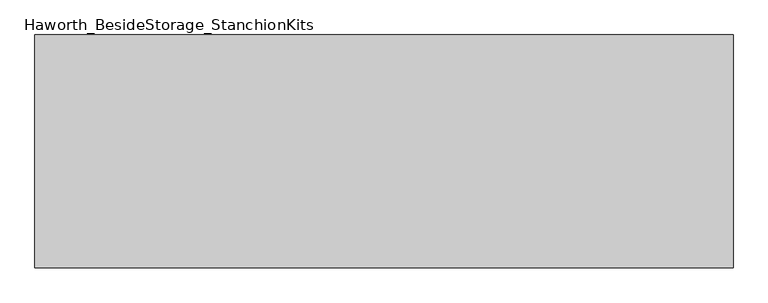
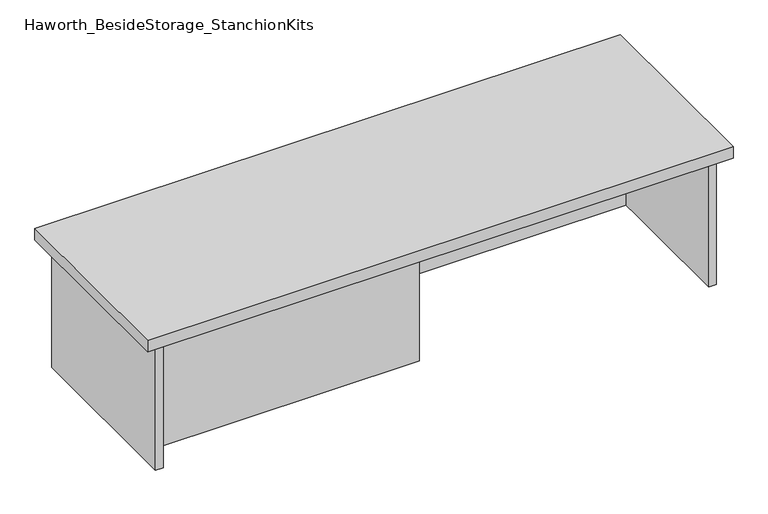
"""IFC4 building model written with IfcOpenShell, lengths in millimetres: furniture geometry, Haworth_BesideStorage_StanchionKits."""

from ifc_helpers import new_model, si_unit, frame, origin, place, context, project, spatial, polyline, outline, extrude, source, transform, mapped, element, save


def haworth_besidestorage_stanchionkits_dd33a132(model_context):
    return source(origin(), model_context, "Body", "SweptSolid", [
        extrude(outline(polyline([(771.525, 0.0), (771.525, -406.4), (-447.675, -406.4), (-447.675, 0.0), (771.525, 0.0)])), frame((0.0, 0.0, 711.2), z_axis=(0.0, 0.0, 1.0), x_axis=(1.0, 0.0, 0.0)), (0.0, 0.0, 1.0), 25.4),
        extrude(outline(polyline([(161.925, -76.2), (730.25, -76.2), (730.25, -92.075), (161.925, -92.075), (161.925, -76.2)])), frame((0.0, 0.0, 431.8), z_axis=(0.0, 0.0, 1.0), x_axis=(1.0, 0.0, 0.0)), (0.0, 0.0, 1.0), 279.4),
        extrude(outline(polyline([(161.925, -314.325), (161.925, -330.2), (-406.4, -330.2), (-406.4, -314.325), (161.925, -314.325)])), frame((0.0, 0.0, 431.8), z_axis=(0.0, 0.0, 1.0), x_axis=(1.0, 0.0, 0.0)), (0.0, 0.0, 1.0), 279.4),
        extrude(outline(polyline([(746.125, -390.525), (730.25, -390.525), (730.25, -15.875), (746.125, -15.875), (746.125, -390.525)])), frame((0.0, 0.0, 431.8), z_axis=(0.0, 0.0, 1.0), x_axis=(1.0, 0.0, 0.0)), (0.0, 0.0, 1.0), 279.4),
        extrude(outline(polyline([(-406.4, -390.525), (-422.275, -390.525), (-422.275, -15.875), (-406.4, -15.875), (-406.4, -390.525)])), frame((0.0, 0.0, 431.8), z_axis=(0.0, 0.0, 1.0), x_axis=(1.0, 0.0, 0.0)), (0.0, 0.0, 1.0), 279.4),
    ])


if __name__ == "__main__":
    model = new_model("IFC4")
    model_context = context("Model", 3, world=origin())
    ifc_project = project(units=[si_unit("LENGTHUNIT", "METRE", prefix="MILLI")], contexts=[model_context])
    site = spatial("IfcSite", under=ifc_project)
    building = spatial("IfcBuilding", under=site)
    placement = place(None, origin())
    haworth_besidestorage_stanchionkits_shape = haworth_besidestorage_stanchionkits_dd33a132(model_context)
    element("IfcFurniture", 1, ObjectType="Haworth_BesideStorage_StanchionKits", at=placement, inside=building, context=model_context, shape_type="MappedRepresentation", body=[
        mapped(haworth_besidestorage_stanchionkits_shape, transform((0.0, 0.0, 0.0), x_axis=(1.0, 0.0, 0.0), y_axis=(0.0, 1.0, 0.0), z_axis=(0.0, 0.0, 1.0))),
    ])
    save(model, "model.ifc")
